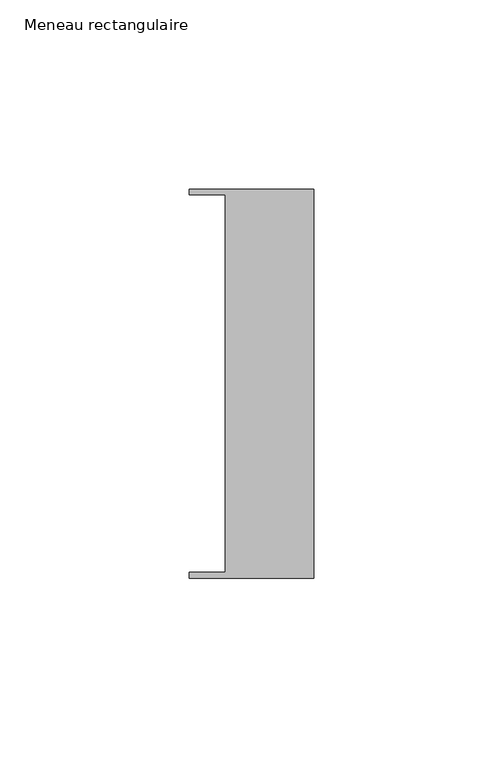
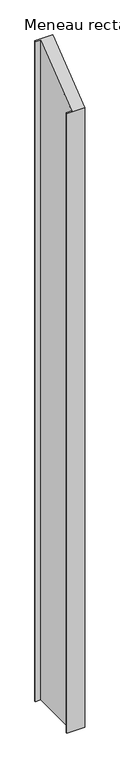
"""IFC4 building model written with IfcOpenShell, lengths in millimetres: member geometry, Meneau rectangulaire."""

from ifc_helpers import new_model, si_unit, origin, place, context, project, spatial, faceted_brep, source, transform, mapped, element, save


def meneau_rectangulaire_56735c9a(model_context):
    return source(origin(), model_context, "Body", "Brep", [
        faceted_brep([(-33.0, 51.4622428, -1254.2000003), (0.0, 51.4622428, -1254.2000003), (0.0, -51.4712299, -1254.2000003), (-33.0, -51.4712299, -1254.2000003), (-33.0, -49.9505712, -1254.2000003), (-23.4, -49.9505712, -1254.2000003), (-23.4, 49.9614402, -1254.2000003), (-33.0, 49.9614402, -1254.2000003), (-33.0, 49.9614402, 38.9558971), (-33.0, 51.4622428, 40.1261017), (-23.4, 49.9614402, 38.9558971), (-23.4, -49.9505712, -38.9474223), (-33.0, -49.9505712, -38.9474223), (-33.0, -51.4712299, -40.1331091), (0.0, -51.4712299, -40.1331091), (0.0, 51.4622428, 40.1261017)], [[[0, 1, 2, 3, 4, 5, 6, 7]], [[8, 9, 0, 7]], [[10, 8, 7, 6]], [[11, 10, 6, 5]], [[12, 11, 5, 4]], [[13, 12, 4, 3]], [[14, 13, 3, 2]], [[15, 14, 2, 1]], [[9, 15, 1, 0]], [[9, 8, 10, 11, 12, 13, 14, 15]]]),
    ])


if __name__ == "__main__":
    model = new_model("IFC4")
    model_context = context("Model", 3, world=origin())
    ifc_project = project(units=[si_unit("LENGTHUNIT", "METRE", prefix="MILLI")], contexts=[model_context])
    site = spatial("IfcSite", under=ifc_project)
    building = spatial("IfcBuilding", under=site)
    placement = place(None, origin())
    meneau_rectangulaire_shape = meneau_rectangulaire_56735c9a(model_context)
    element("IfcMember", 1, ObjectType="Meneau rectangulaire", at=placement, inside=building, context=model_context, shape_type="MappedRepresentation", body=[
        mapped(meneau_rectangulaire_shape, transform((0.0, 0.0, 0.0), x_axis=(1.0, 0.0, 0.0), y_axis=(0.0, 1.0, 0.0), z_axis=(0.0, 0.0, 1.0))),
    ])
    save(model, "model.ifc")
